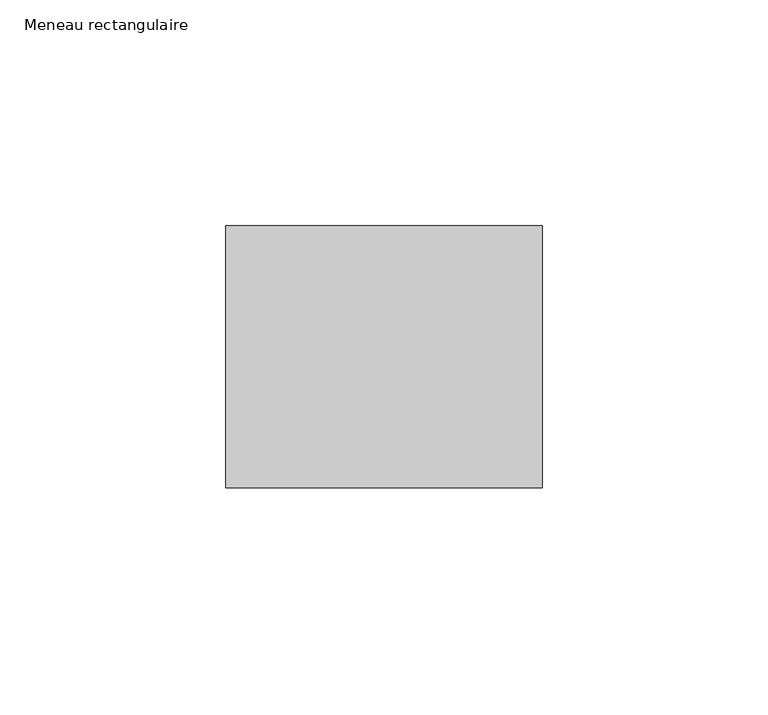
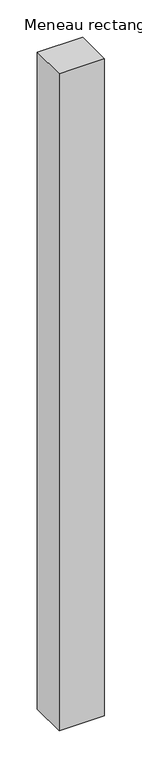
"""IFC4 building model written with IfcOpenShell, lengths in millimetres: member geometry, Meneau rectangulaire."""

from ifc_helpers import new_model, si_unit, frame, origin, place, context, project, spatial, polyline, outline, extrude, source, transform, mapped, element, save


def meneau_rectangulaire_d4504bcb(model_context):
    return source(origin(), model_context, "Body", "SweptSolid", [
        extrude(outline(polyline([(0.0, 29.0), (0.0, -29.0), (-70.0, -29.0), (-70.0, 29.0), (0.0, 29.0)])), frame((0.0, 0.0, -1071.7164022), z_axis=(0.0, 0.0, 1.0), x_axis=(1.0, 0.0, 0.0)), (0.0, 0.0, 1.0), 1071.7164022),
    ])


if __name__ == "__main__":
    model = new_model("IFC4")
    model_context = context("Model", 3, world=origin())
    ifc_project = project(units=[si_unit("LENGTHUNIT", "METRE", prefix="MILLI")], contexts=[model_context])
    site = spatial("IfcSite", under=ifc_project)
    building = spatial("IfcBuilding", under=site)
    placement = place(None, origin())
    meneau_rectangulaire_shape = meneau_rectangulaire_d4504bcb(model_context)
    element("IfcMember", 1, ObjectType="Meneau rectangulaire", at=placement, inside=building, context=model_context, shape_type="MappedRepresentation", body=[
        mapped(meneau_rectangulaire_shape, transform((0.0, 0.0, 0.0), x_axis=(1.0, 0.0, 0.0), y_axis=(0.0, 1.0, 0.0), z_axis=(0.0, 0.0, 1.0))),
    ])
    save(model, "model.ifc")
